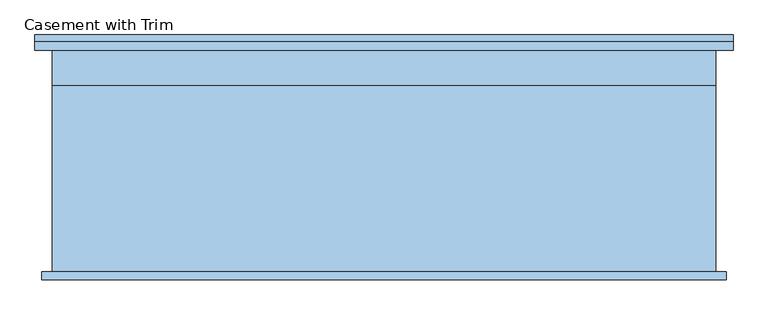
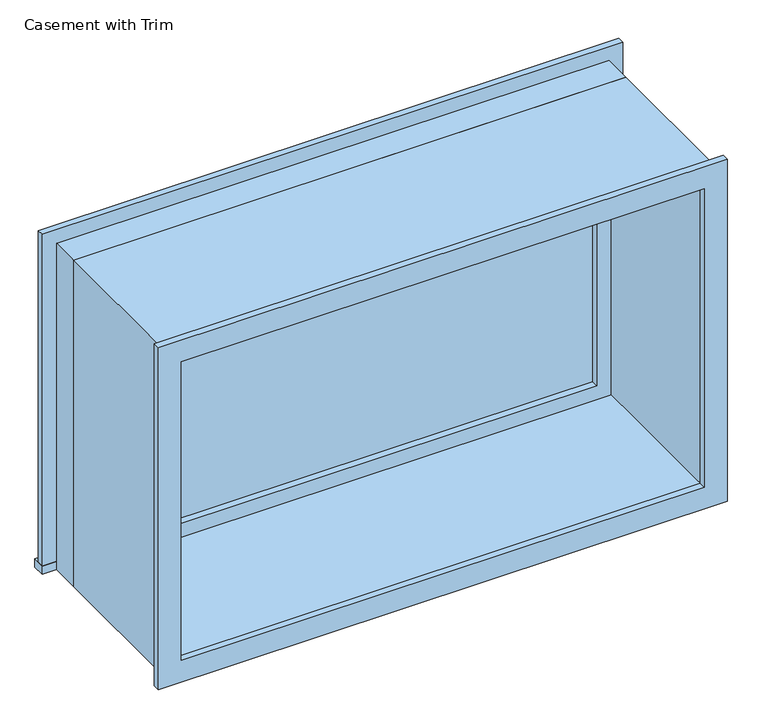
"""IFC4 building model written with IfcOpenShell, lengths in millimetres: window geometry, Casement with Trim."""

from ifc_helpers import new_model, si_unit, frame, origin, place, context, project, spatial, polyline, outline, extrude, source, transform, mapped, element, save


def casement_with_trim_9de44204(model_context):
    return source(origin(), model_context, "Body", "SweptSolid", [
        extrude(outline(polyline([(-630.95, 227.7), (630.95, 227.7), (630.95, 200.0), (-630.95, 200.0), (-630.95, 227.7)])), frame((0.0, 0.0, 900.0), z_axis=(0.0, 0.0, 1.0), x_axis=(1.0, 0.0, 0.0)), (0.0, 0.0, 1.0), 19.05),
        extrude(outline(polyline([(1630.95, -580.95), (1630.95, 580.95), (919.05, 580.95), (919.05, 630.95), (1680.95, 630.95), (1680.95, -630.95), (919.05, -630.95), (919.05, -580.95), (1630.95, -580.95)])), frame((0.0, 200.0, 0.0), z_axis=(0.0, 1.0, 0.0), x_axis=(0.0, 0.0, 1.0)), (0.0, 0.0, 1.0), 15.0),
        extrude(outline(polyline([(1668.25, 618.25), (1668.25, -618.25), (881.75, -618.25), (881.75, 618.25), (1668.25, 618.25)]), holes=[polyline([(1618.25, 568.25), (931.75, 568.25), (931.75, -568.25), (1618.25, -568.25), (1618.25, 568.25)])]), frame((0.0, -215.0, 0.0), z_axis=(0.0, 1.0, 0.0), x_axis=(0.0, 0.0, 1.0)), (0.0, 0.0, 1.0), 15.0),
        extrude(outline(polyline([(536.5, 151.425), (-536.5, 151.425), (-536.5, 164.125), (536.5, 164.125), (536.5, 151.425)])), frame((0.0, 0.0, 963.5), z_axis=(0.0, 0.0, 1.0), x_axis=(1.0, 0.0, 0.0)), (0.0, 0.0, 1.0), 623.0),
        extrude(outline(polyline([(1630.95, -580.95), (919.05, -580.95), (919.05, 580.95), (1630.95, 580.95), (1630.95, -580.95)]), holes=[polyline([(1586.5, -536.5), (1586.5, 536.5), (963.5, 536.5), (963.5, -536.5), (1586.5, -536.5)])]), frame((0.0, 135.55, 0.0), z_axis=(0.0, 1.0, 0.0), x_axis=(0.0, 0.0, 1.0)), (0.0, 0.0, 1.0), 44.45),
        extrude(outline(polyline([(1650.0, -600.0), (900.0, -600.0), (900.0, 600.0), (1650.0, 600.0), (1650.0, -600.0)]), holes=[polyline([(1618.25, -568.25), (1618.25, 568.25), (931.75, 568.25), (931.75, -568.25), (1618.25, -568.25)])]), frame((0.0, -200.0, 0.0), z_axis=(0.0, 1.0, 0.0), x_axis=(0.0, 0.0, 1.0)), (0.0, 0.0, 1.0), 335.55),
        extrude(outline(polyline([(1650.0, 600.0), (1650.0, -600.0), (900.0, -600.0), (900.0, 600.0), (1650.0, 600.0)]), holes=[polyline([(1630.95, 580.95), (919.05, 580.95), (919.05, -580.95), (1630.95, -580.95), (1630.95, 580.95)])]), frame((0.0, 135.55, 0.0), z_axis=(0.0, 1.0, 0.0), x_axis=(0.0, 0.0, 1.0)), (0.0, 0.0, 1.0), 64.45),
    ])


if __name__ == "__main__":
    model = new_model("IFC4")
    model_context = context("Model", 3, world=origin())
    ifc_project = project(units=[si_unit("LENGTHUNIT", "METRE", prefix="MILLI")], contexts=[model_context])
    site = spatial("IfcSite", under=ifc_project)
    building = spatial("IfcBuilding", under=site)
    placement = place(None, origin())
    casement_with_trim_shape = casement_with_trim_9de44204(model_context)
    element("IfcWindow", 1, ObjectType="Casement with Trim", at=placement, inside=building, context=model_context, shape_type="MappedRepresentation", body=[
        mapped(casement_with_trim_shape, transform((0.0, 0.0, 0.0), x_axis=(1.0, 0.0, 0.0), y_axis=(0.0, 1.0, 0.0), z_axis=(0.0, 0.0, 1.0))),
    ])
    save(model, "model.ifc")
